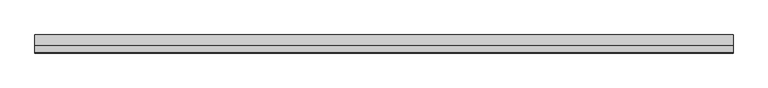
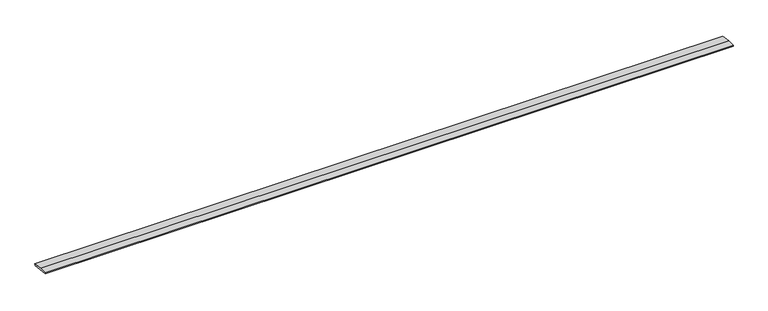
"""IFC4 building model written with IfcOpenShell, lengths in millimetres: beam geometry."""

import ifcopenshell
import ifcopenshell.guid

model = None  # the IFC model being written
_history = None  # IfcOwnerHistory: only IFC2X3 demands one
_inside = {}  # id of a spatial element -> (the spatial element, [elements in it])
_under = {}  # id of a project, library or spatial element -> (it, [spatial elements below it])
_declared = {}  # id of a project -> (the project, [libraries it declares])
_typed = {}  # id of a type object -> (the type object, [elements of that type])
_made_of = {}  # id of a material, layer set ... -> (it, [elements and type objects made of it])


def new_model(schema):
    """Start an empty IFC model of exactly this schema.

    Asked for "IFC4X3", IfcOpenShell would pick the latest addendum, in which some entities
    have other attributes; the version numbers below select the first issue.
    IFC2X3 requires an IfcOwnerHistory on every rooted entity: one is made here for all.
    """
    global model, _history
    if schema == "IFC4X3":
        model = ifcopenshell.file(schema_version=(4, 3, 0, 0))
    else:
        model = ifcopenshell.file(schema=schema)
    _inside.clear()
    _under.clear()
    _declared.clear()
    _typed.clear()
    _made_of.clear()
    _history = None
    if model.schema == "IFC2X3":
        org = make("IfcOrganization", Name="unknown")
        user = make(
            "IfcPersonAndOrganization",
            ThePerson=make("IfcPerson", FamilyName="unknown"),
            TheOrganization=org,
        )
        app = make(
            "IfcApplication",
            ApplicationDeveloper=org,
            Version="unknown",
            ApplicationFullName="unknown",
            ApplicationIdentifier="unknown",
        )
        _history = make(
            "IfcOwnerHistory",
            OwningUser=user,
            OwningApplication=app,
            ChangeAction="ADDED",
            CreationDate=0,
        )
    return model


def make(cls, **values):
    """One entity of the class cls with the attributes given. An attribute that is None is left unset."""
    return model.create_entity(
        cls, **{name: value for name, value in values.items() if value is not None}
    )


def rooted(cls, **values):
    """An entity with a GlobalId (a new one), such as an element, a storey or a relation."""
    return make(cls, GlobalId=ifcopenshell.guid.new(), OwnerHistory=_history, **values)


def si_unit(unit_type, name, prefix=None):
    """IfcSIUnit, for example si_unit("LENGTHUNIT", "METRE", prefix="MILLI")."""
    return make("IfcSIUnit", UnitType=unit_type, Prefix=prefix, Name=name)


def assignment(units):
    """IfcUnitAssignment: the units of a project."""
    return None if units is None else make("IfcUnitAssignment", Units=units)


def point(xyz):
    """IfcCartesianPoint."""
    return None if xyz is None else make("IfcCartesianPoint", Coordinates=xyz)


def direction(xyz):
    """IfcDirection."""
    return None if xyz is None else make("IfcDirection", DirectionRatios=xyz)


def frame(location, z_axis=None, x_axis=None):
    """IfcAxis2Placement3D, a coordinate frame: its origin and axes. An axis left out is left unset."""
    return make(
        "IfcAxis2Placement3D",
        Location=point(location),
        Axis=direction(z_axis),
        RefDirection=direction(x_axis),
    )


def origin():
    """The frame at (0, 0, 0) with its axes left unset."""
    return frame((0.0, 0.0, 0.0))


def place(relative_to, where):
    """IfcLocalPlacement: puts the frame where relative to a parent placement (None: the world)."""
    return make(
        "IfcLocalPlacement", PlacementRelTo=relative_to, RelativePlacement=where
    )


def context(
    kind, dimensions, precision=None, world=None, true_north=None, identifier=None
):
    """IfcGeometricRepresentationContext, for example the 3D "Model" context."""
    return make(
        "IfcGeometricRepresentationContext",
        ContextIdentifier=identifier,
        ContextType=kind,
        CoordinateSpaceDimension=dimensions,
        Precision=precision,
        WorldCoordinateSystem=world,
        TrueNorth=true_north,
    )


def project(units=None, contexts=None):
    """IfcProject with its units and contexts."""
    return rooted(
        "IfcProject",
        Name="project",
        RepresentationContexts=contexts,
        UnitsInContext=assignment(units),
    )


def spatial(cls, under=None, at=None, **own):
    """A site, building, storey or space (cls), placed at a placement, below another one or the project."""
    s = rooted(cls, ObjectPlacement=at, **own)
    if under is not None:
        _under.setdefault(under.id(), (under, []))[1].append(s)
    return s


def polyline(points):
    """IfcPolyline through the points."""
    return make("IfcPolyline", Points=[point(p) for p in points])


def outline(outer, holes=None, kind="AREA"):
    """IfcArbitraryClosedProfileDef: a profile drawn as a closed curve; with holes, ...WithVoids."""
    if holes is None:
        return make("IfcArbitraryClosedProfileDef", ProfileType=kind, OuterCurve=outer)
    return make(
        "IfcArbitraryProfileDefWithVoids",
        ProfileType=kind,
        OuterCurve=outer,
        InnerCurves=holes,
    )


def extrude(swept, where, along, depth):
    """IfcExtrudedAreaSolid: the profile swept, set in the frame where, extruded along a direction by depth."""
    return make(
        "IfcExtrudedAreaSolid",
        SweptArea=swept,
        Position=where,
        ExtrudedDirection=direction(along),
        Depth=depth,
    )


def shape(context_of_items, identifier, shape_type, items):
    """IfcShapeRepresentation: the items that make up one representation, for example the "Body"."""
    return make(
        "IfcShapeRepresentation",
        ContextOfItems=context_of_items,
        RepresentationIdentifier=identifier,
        RepresentationType=shape_type,
        Items=items,
    )


def source(mapping_origin, context_of_items, identifier, shape_type, items):
    """IfcRepresentationMap: a shape defined once, which mapped items show again and again."""
    return make(
        "IfcRepresentationMap",
        MappingOrigin=mapping_origin,
        MappedRepresentation=shape(context_of_items, identifier, shape_type, items),
    )


def transform(
    local_origin,
    x_axis=None,
    y_axis=None,
    z_axis=None,
    scale=None,
    scale2=None,
    scale3=None,
    uniform=True,
):
    """IfcCartesianTransformationOperator3D, or its non-uniform kind. x_axis, y_axis, z_axis: its Axis1, 2, 3."""
    if uniform:
        return make(
            "IfcCartesianTransformationOperator3D",
            Axis1=direction(x_axis),
            Axis2=direction(y_axis),
            LocalOrigin=point(local_origin),
            Scale=scale,
            Axis3=direction(z_axis),
        )
    return make(
        "IfcCartesianTransformationOperator3DnonUniform",
        Axis1=direction(x_axis),
        Axis2=direction(y_axis),
        LocalOrigin=point(local_origin),
        Scale=scale,
        Axis3=direction(z_axis),
        Scale2=scale2,
        Scale3=scale3,
    )


def mapped(mapping_source, mapping_target):
    """IfcMappedItem: shows the shape of a source again, moved by a transform."""
    return make(
        "IfcMappedItem", MappingSource=mapping_source, MappingTarget=mapping_target
    )


def made_of(thing, what):
    """Note that an element or type object is made of a material, layer set ...; save() writes the relation."""
    if what is not None:
        _made_of.setdefault(what.id(), (what, []))[1].append(thing)
    return thing


def element(
    cls,
    number,
    at=None,
    inside=None,
    cuts=None,
    type_object=None,
    material=None,
    context=None,
    identifier="Body",
    shape_type=None,
    held_by="IfcProductDefinitionShape",
    body=None,
    shapes=None,
    **own,
):
    """One element of the class cls, such as IfcWall. Its Tag is "e" and its number.

    at: its placement. inside: the storey or other place that contains it. cuts: it is an
    opening in that element (IfcRelVoidsElement). A single representation is given by context,
    identifier, shape_type and body (its items); several are given by shapes. held_by: the class
    of the entity that holds the representations. save() writes the other relations.
    """
    e = rooted(cls, Tag="e%d" % number, ObjectPlacement=at, **own)
    if body is not None:
        shapes = [shape(context, identifier, shape_type, body)]
    if shapes is not None:
        e.Representation = make(held_by, Representations=shapes)
    if inside is not None:
        _inside.setdefault(inside.id(), (inside, []))[1].append(e)
    if cuts is not None:
        rooted(
            "IfcRelVoidsElement", RelatingBuildingElement=cuts, RelatedOpeningElement=e
        )
    if type_object is not None:
        _typed.setdefault(type_object.id(), (type_object, []))[1].append(e)
    return made_of(e, material)


def aggregate(whole, parts):
    """IfcRelAggregates: a whole, such as a stair, and the parts it consists of."""
    return rooted("IfcRelAggregates", RelatingObject=whole, RelatedObjects=parts)


def save(model, path):
    """Write the relations noted so far, then the file.

    IfcRelAggregates (storeys below a building ...), IfcRelContainedInSpatialStructure (elements
    in a storey), IfcRelDefinesByType, IfcRelAssociatesMaterial and IfcRelDeclares: one each for
    every whole, place, type object, material and project.
    """
    for whole, parts in _under.values():
        aggregate(whole, parts)
    for where, things in _inside.values():
        rooted(
            "IfcRelContainedInSpatialStructure",
            RelatedElements=things,
            RelatingStructure=where,
        )
    for kind, things in _typed.values():
        rooted("IfcRelDefinesByType", RelatedObjects=things, RelatingType=kind)
    for what, things in _made_of.values():
        rooted("IfcRelAssociatesMaterial", RelatedObjects=things, RelatingMaterial=what)
    for by, libraries in _declared.values():
        rooted("IfcRelDeclares", RelatingContext=by, RelatedDefinitions=libraries)
    model.write(path)


def beam_597bee83(model_context):
    return source(origin(), model_context, "Body", "SweptSolid", [
        extrude(outline(polyline([(0.0, -9.143159), (1.1226388, 0.0), (79.0749747, 0.0), (180.9387048, -12.5072934), (178.6231873, -31.3656703), (0.0, -9.143159)])), frame((-3486.1782778, 0.0, 0.0), z_axis=(1.0, 0.0, 0.0), x_axis=(0.0, 1.0, 0.0)), (0.0, 0.0, 1.0), 6972.3565556),
    ])


if __name__ == "__main__":
    model = new_model("IFC4")
    model_context = context("Model", 3, world=origin())
    ifc_project = project(units=[si_unit("LENGTHUNIT", "METRE", prefix="MILLI")], contexts=[model_context])
    site = spatial("IfcSite", under=ifc_project)
    building = spatial("IfcBuilding", under=site)
    placement = place(None, origin())
    beam_shape = beam_597bee83(model_context)
    element("IfcBeam", 1, at=placement, inside=building, context=model_context, shape_type="MappedRepresentation", body=[
        mapped(beam_shape, transform((0.0, 0.0, 0.0), x_axis=(1.0, 0.0, 0.0), y_axis=(0.0, 1.0, 0.0), z_axis=(0.0, 0.0, 1.0))),
    ])
    save(model, "model.ifc")
